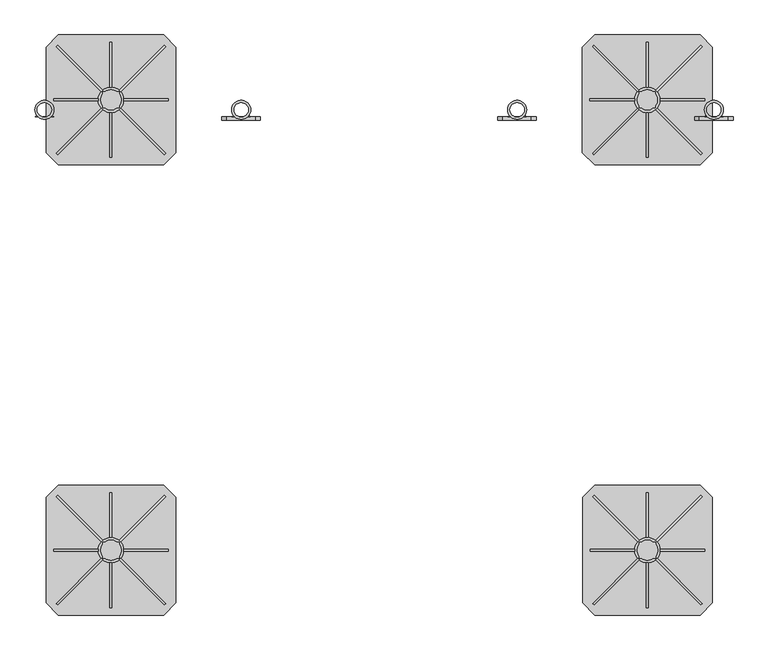
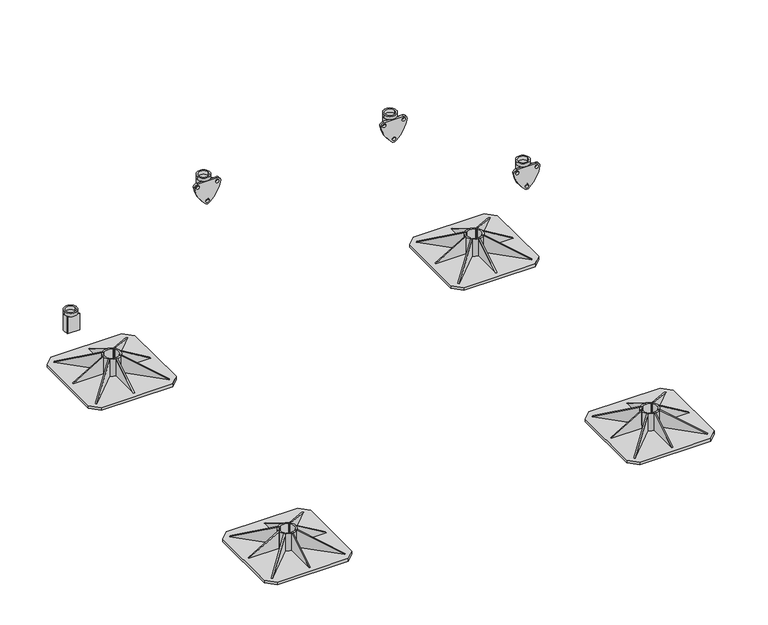
"""IFC4 building model written with IfcOpenShell, lengths in millimetres: beam geometry."""

from ifc_helpers import new_model, si_unit, point, frame, frame_2d, origin, origin_with_axes, place, context, project, spatial, polyline, circle_curve, trimmed, segment, composite_curve, outline, extrude, source, transform, mapped, element, save
from ifc_brep_helpers import plane_surface, cylinder_surface, revolved_surface, advanced_brep


def beam_a3dbc50e(model_context):
    return source(origin(), model_context, "Body", "SolidModel", [
        extrude(outline(polyline([(0.0, 0.0), (169.9235121, 0.0), (145.0593839, -60.0564328), (0.0, 0.0)])), frame((792.5218613, 419.9426048, 10.0), z_axis=(0.7071067811865491, 0.7071067811865459, 0.0), x_axis=(-0.653327860317026, 0.653327860317029, 0.3825250499864671)), (0.0, 0.0, 1.0), 5.0),
        extrude(outline(polyline([(0.0, 0.0), (-145.0593839, -60.0564328), (-169.9235121, 0.0), (0.0, 0.0)])), frame((529.4781387, 419.9426048, 10.0), z_axis=(-0.7071067811865449, 0.7071067811865502, 0.0), x_axis=(-0.65332786031703, -0.653327860317025, -0.38252504998646697)), (0.0, 0.0, 1.0), 5.0),
        extrude(outline(polyline([(0.0, 0.0), (169.9235121, 0.0), (145.0593839, -60.0564328), (0.0, 0.0)])), frame((796.0573952, 686.5218613, 10.0), z_axis=(-0.707106781186539, 0.7071067811865561, 0.0), x_axis=(-0.6533278603170355, -0.6533278603170196, 0.3825250499864671)), (0.0, 0.0, 1.0), 5.0),
        extrude(outline(polyline([(10.0, 519.5), (10.0, 629.5), (75.0, 629.5), (10.0, 519.5)])), frame((0.0, 552.5, 0.0), z_axis=(0.0, 1.0, 0.0), x_axis=(0.0, 0.0, 1.0)), (0.0, 0.0, 1.0), 5.0),
        extrude(outline(polyline([(696.5, 10.0), (586.5, 10.0), (586.5, 75.0), (696.5, 10.0)])), frame((658.5, 0.0, 0.0), z_axis=(1.0, 0.0, 0.0), x_axis=(0.0, 1.0, 0.0)), (0.0, 0.0, 1.0), 5.0),
        extrude(outline(polyline([(413.5, 10.0), (523.5, 75.0), (523.5, 10.0), (413.5, 10.0)])), frame((658.5, 0.0, 0.0), z_axis=(1.0, 0.0, 0.0), x_axis=(0.0, 1.0, 0.0)), (0.0, 0.0, 1.0), 5.0),
        extrude(outline(polyline([(0.0, 0.0), (-145.0593839, -60.0564328), (-169.9235121, 0.0), (0.0, 0.0)])), frame((525.9426048, 686.5218613, 10.0), z_axis=(0.7071067811865491, 0.707106781186546, 0.0), x_axis=(-0.6533278603170262, 0.653327860317029, -0.3825250499864671)), (0.0, 0.0, 1.0), 5.0),
        extrude(outline(polyline([(10.0, 802.5), (75.0, 692.5), (10.0, 692.5), (10.0, 802.5)])), frame((0.0, 552.5, 0.0), z_axis=(0.0, 1.0, 0.0), x_axis=(0.0, 0.0, 1.0)), (0.0, 0.0, 1.0), 5.0),
        extrude(outline(composite_curve([segment(trimmed(circle_curve(frame_2d((661.0, 555.0)), 31.5), [point((629.5, 555.0))], [point((692.5, 555.0))], False, "CARTESIAN"), True, "CONTINUOUS"), segment(trimmed(circle_curve(frame_2d((661.0, 555.0)), 31.5), [point((692.5, 555.0))], [point((629.5, 555.0))], False, "CARTESIAN"), True, "CONTINUOUS")], self_intersect=False), holes=[composite_curve([segment(polyline([(641.0, 540.0), (641.0, 535.0), (646.0, 535.0)]), True, "CONTINUOUS"), segment(trimmed(circle_curve(frame_2d((661.0, 555.0)), 25.0), [point((646.0, 535.0))], [point((676.0, 535.0))], True, "CARTESIAN"), True, "CONTINUOUS"), segment(polyline([(676.0, 535.0), (681.0, 535.0), (681.0, 540.0)]), True, "CONTINUOUS"), segment(trimmed(circle_curve(frame_2d((661.0, 555.0)), 25.0), [point((681.0, 540.0))], [point((681.0, 570.0))], True, "CARTESIAN"), True, "CONTINUOUS"), segment(polyline([(681.0, 570.0), (681.0, 575.0), (676.0, 575.0)]), True, "CONTINUOUS"), segment(trimmed(circle_curve(frame_2d((661.0, 555.0)), 25.0), [point((676.0, 575.0))], [point((646.0, 575.0))], True, "CARTESIAN"), True, "CONTINUOUS"), segment(polyline([(646.0, 575.0), (641.0, 575.0), (641.0, 570.0)]), True, "CONTINUOUS"), segment(trimmed(circle_curve(frame_2d((661.0, 555.0)), 25.0), [point((641.0, 570.0))], [point((641.0, 540.0))], True, "CARTESIAN"), True, "CONTINUOUS")], self_intersect=False)]), frame((0.0, 0.0, 10.0), z_axis=(0.0, 0.0, 1.0), x_axis=(1.0, 0.0, 0.0)), (0.0, 0.0, 1.0), 65.0),
        extrude(outline(polyline([(791.0, 715.0), (821.0, 685.0), (821.0, 425.0), (791.0, 395.0), (531.0, 395.0), (501.0, 425.0), (501.0, 685.0), (531.0, 715.0), (791.0, 715.0)])), origin_with_axes(), (0.0, 0.0, 1.0), 10.0),
        extrude(outline(polyline([(0.0, 0.0), (169.9235121, 0.0), (145.0593839, -60.0564328), (0.0, 0.0)])), frame((-529.4781387, 419.9426048, 10.0), z_axis=(0.7071067811865491, 0.7071067811865459, 0.0), x_axis=(-0.653327860317026, 0.653327860317029, 0.3825250499864671)), (0.0, 0.0, 1.0), 5.0),
        extrude(outline(polyline([(0.0, 0.0), (-145.0593839, -60.0564328), (-169.9235121, 0.0), (0.0, 0.0)])), frame((-792.5218613, 419.9426048, 10.0), z_axis=(-0.7071067811865449, 0.7071067811865502, 0.0), x_axis=(-0.65332786031703, -0.653327860317025, -0.38252504998646697)), (0.0, 0.0, 1.0), 5.0),
        extrude(outline(polyline([(0.0, 0.0), (169.9235121, 0.0), (145.0593839, -60.0564328), (0.0, 0.0)])), frame((-525.9426048, 686.5218613, 10.0), z_axis=(-0.707106781186539, 0.7071067811865561, 0.0), x_axis=(-0.6533278603170355, -0.6533278603170196, 0.3825250499864671)), (0.0, 0.0, 1.0), 5.0),
        extrude(outline(polyline([(10.0, -802.5), (10.0, -692.5), (75.0, -692.5), (10.0, -802.5)])), frame((0.0, 552.5, 0.0), z_axis=(0.0, 1.0, 0.0), x_axis=(0.0, 0.0, 1.0)), (0.0, 0.0, 1.0), 5.0),
        extrude(outline(polyline([(696.5, 10.0), (586.5, 10.0), (586.5, 75.0), (696.5, 10.0)])), frame((-663.5, 0.0, 0.0), z_axis=(1.0, 0.0, 0.0), x_axis=(0.0, 1.0, 0.0)), (0.0, 0.0, 1.0), 5.0),
        extrude(outline(polyline([(413.5, 10.0), (523.5, 75.0), (523.5, 10.0), (413.5, 10.0)])), frame((-663.5, 0.0, 0.0), z_axis=(1.0, 0.0, 0.0), x_axis=(0.0, 1.0, 0.0)), (0.0, 0.0, 1.0), 5.0),
        extrude(outline(polyline([(0.0, 0.0), (-145.0593839, -60.0564328), (-169.9235121, 0.0), (0.0, 0.0)])), frame((-796.0573952, 686.5218613, 10.0), z_axis=(0.7071067811865491, 0.707106781186546, 0.0), x_axis=(-0.6533278603170262, 0.653327860317029, -0.3825250499864671)), (0.0, 0.0, 1.0), 5.0),
        extrude(outline(polyline([(10.0, -519.5), (75.0, -629.5), (10.0, -629.5), (10.0, -519.5)])), frame((0.0, 552.5, 0.0), z_axis=(0.0, 1.0, 0.0), x_axis=(0.0, 0.0, 1.0)), (0.0, 0.0, 1.0), 5.0),
        extrude(outline(composite_curve([segment(trimmed(circle_curve(frame_2d((-661.0, 555.0)), 31.5), [point((-692.5, 555.0))], [point((-629.5, 555.0))], False, "CARTESIAN"), True, "CONTINUOUS"), segment(trimmed(circle_curve(frame_2d((-661.0, 555.0)), 31.5), [point((-629.5, 555.0))], [point((-692.5, 555.0))], False, "CARTESIAN"), True, "CONTINUOUS")], self_intersect=False), holes=[composite_curve([segment(polyline([(-681.0, 540.0), (-681.0, 535.0), (-676.0, 535.0)]), True, "CONTINUOUS"), segment(trimmed(circle_curve(frame_2d((-661.0, 555.0)), 25.0), [point((-676.0, 535.0))], [point((-646.0, 535.0))], True, "CARTESIAN"), True, "CONTINUOUS"), segment(polyline([(-646.0, 535.0), (-641.0, 535.0), (-641.0, 540.0)]), True, "CONTINUOUS"), segment(trimmed(circle_curve(frame_2d((-661.0, 555.0)), 25.0), [point((-641.0, 540.0))], [point((-641.0, 570.0))], True, "CARTESIAN"), True, "CONTINUOUS"), segment(polyline([(-641.0, 570.0), (-641.0, 575.0), (-646.0, 575.0)]), True, "CONTINUOUS"), segment(trimmed(circle_curve(frame_2d((-661.0, 555.0)), 25.0), [point((-646.0, 575.0))], [point((-676.0, 575.0))], True, "CARTESIAN"), True, "CONTINUOUS"), segment(polyline([(-676.0, 575.0), (-681.0, 575.0), (-681.0, 570.0)]), True, "CONTINUOUS"), segment(trimmed(circle_curve(frame_2d((-661.0, 555.0)), 25.0), [point((-681.0, 570.0))], [point((-681.0, 540.0))], True, "CARTESIAN"), True, "CONTINUOUS")], self_intersect=False)]), frame((0.0, 0.0, 10.0), z_axis=(0.0, 0.0, 1.0), x_axis=(1.0, 0.0, 0.0)), (0.0, 0.0, 1.0), 65.0),
        extrude(outline(polyline([(-531.0, 715.0), (-501.0, 685.0), (-501.0, 425.0), (-531.0, 395.0), (-791.0, 395.0), (-821.0, 425.0), (-821.0, 685.0), (-791.0, 715.0), (-531.0, 715.0)])), origin_with_axes(), (0.0, 0.0, 1.0), 10.0),
        extrude(outline(polyline([(0.0, 0.0), (169.9235121, 0.0), (145.0593839, -60.0564328), (0.0, 0.0)])), frame((792.8159116, -690.0573952, 10.0), z_axis=(0.7071067811865491, 0.7071067811865459, 0.0), x_axis=(-0.653327860317026, 0.653327860317029, 0.3825250499864671)), (0.0, 0.0, 1.0), 5.0),
        extrude(outline(polyline([(0.0, 0.0), (-145.059384, -60.0564328), (-169.9235122, 0.0), (0.0, 0.0)])), frame((529.772189, -690.0573952, 10.0), z_axis=(-0.7071067811865449, 0.7071067811865502, 0.0), x_axis=(-0.65332786031703, -0.653327860317025, -0.38252504998646697)), (0.0, 0.0, 1.0), 5.0),
        extrude(outline(polyline([(0.0, 0.0), (169.9235121, 0.0), (145.0593839, -60.0564328), (0.0, 0.0)])), frame((796.3514455, -423.4781387, 10.0), z_axis=(-0.707106781186539, 0.7071067811865561, 0.0), x_axis=(-0.6533278603170355, -0.6533278603170196, 0.3825250499864671)), (0.0, 0.0, 1.0), 5.0),
        extrude(outline(polyline([(10.0, 519.7940503), (10.0, 629.7940503), (75.0, 629.7940503), (10.0, 519.7940503)])), frame((0.0, -557.5, 0.0), z_axis=(0.0, 1.0, 0.0), x_axis=(0.0, 0.0, 1.0)), (0.0, 0.0, 1.0), 5.0),
        extrude(outline(polyline([(-413.5, 10.0), (-523.5, 10.0), (-523.5, 75.0), (-413.5, 10.0)])), frame((658.7940503, 0.0, 0.0), z_axis=(1.0, 0.0, 0.0), x_axis=(0.0, 1.0, 0.0)), (0.0, 0.0, 1.0), 5.0),
        extrude(outline(polyline([(-696.5, 10.0), (-586.5, 75.0), (-586.5, 10.0), (-696.5, 10.0)])), frame((658.7940503, 0.0, 0.0), z_axis=(1.0, 0.0, 0.0), x_axis=(0.0, 1.0, 0.0)), (0.0, 0.0, 1.0), 5.0),
        extrude(outline(polyline([(0.0, 0.0), (-145.059384, -60.0564328), (-169.9235122, 0.0), (0.0, 0.0)])), frame((526.2366551, -423.4781387, 10.0), z_axis=(0.7071067811865491, 0.707106781186546, 0.0), x_axis=(-0.6533278603170262, 0.653327860317029, -0.3825250499864671)), (0.0, 0.0, 1.0), 5.0),
        extrude(outline(polyline([(10.0, 802.7940503), (75.0, 692.7940503), (10.0, 692.7940503), (10.0, 802.7940503)])), frame((0.0, -557.5, 0.0), z_axis=(0.0, 1.0, 0.0), x_axis=(0.0, 0.0, 1.0)), (0.0, 0.0, 1.0), 5.0),
        extrude(outline(composite_curve([segment(trimmed(circle_curve(frame_2d((661.2940503, -555.0)), 31.5), [point((629.7940503, -555.0))], [point((692.7940503, -555.0))], False, "CARTESIAN"), True, "CONTINUOUS"), segment(trimmed(circle_curve(frame_2d((661.2940503, -555.0)), 31.5), [point((692.7940503, -555.0))], [point((629.7940503, -555.0))], False, "CARTESIAN"), True, "CONTINUOUS")], self_intersect=False), holes=[composite_curve([segment(polyline([(641.2940503, -570.0), (641.2940503, -575.0), (646.2940503, -575.0)]), True, "CONTINUOUS"), segment(trimmed(circle_curve(frame_2d((661.2940503, -555.0)), 25.0), [point((646.2940503, -575.0))], [point((676.2940503, -575.0))], True, "CARTESIAN"), True, "CONTINUOUS"), segment(polyline([(676.2940503, -575.0), (681.2940503, -575.0), (681.2940503, -570.0)]), True, "CONTINUOUS"), segment(trimmed(circle_curve(frame_2d((661.2940503, -555.0)), 25.0), [point((681.2940503, -570.0))], [point((681.2940503, -540.0))], True, "CARTESIAN"), True, "CONTINUOUS"), segment(polyline([(681.2940503, -540.0), (681.2940503, -535.0), (676.2940503, -535.0)]), True, "CONTINUOUS"), segment(trimmed(circle_curve(frame_2d((661.2940503, -555.0)), 25.0), [point((676.2940503, -535.0))], [point((646.2940503, -535.0))], True, "CARTESIAN"), True, "CONTINUOUS"), segment(polyline([(646.2940503, -535.0), (641.2940503, -535.0), (641.2940503, -540.0)]), True, "CONTINUOUS"), segment(trimmed(circle_curve(frame_2d((661.2940503, -555.0)), 25.0), [point((641.2940503, -540.0))], [point((641.2940503, -570.0))], True, "CARTESIAN"), True, "CONTINUOUS")], self_intersect=False)]), frame((0.0, 0.0, 10.0), z_axis=(0.0, 0.0, 1.0), x_axis=(1.0, 0.0, 0.0)), (0.0, 0.0, 1.0), 65.0),
        extrude(outline(polyline([(791.2940503, -395.0), (821.2940503, -425.0), (821.2940503, -685.0), (791.2940503, -715.0), (531.2940503, -715.0), (501.2940503, -685.0), (501.2940503, -425.0), (531.2940503, -395.0), (791.2940503, -395.0)])), origin_with_axes(), (0.0, 0.0, 1.0), 10.0),
        extrude(outline(polyline([(0.0, 0.0), (169.9235121, 0.0), (145.0593839, -60.0564328), (0.0, 0.0)])), frame((-529.4781387, -690.0573952, 10.0), z_axis=(0.7071067811865491, 0.7071067811865459, 0.0), x_axis=(-0.653327860317026, 0.653327860317029, 0.3825250499864671)), (0.0, 0.0, 1.0), 5.0),
        extrude(outline(polyline([(0.0, 0.0), (-145.0593839, -60.0564328), (-169.9235121, 0.0), (0.0, 0.0)])), frame((-792.5218613, -690.0573952, 10.0), z_axis=(-0.7071067811865449, 0.7071067811865502, 0.0), x_axis=(-0.65332786031703, -0.653327860317025, -0.38252504998646697)), (0.0, 0.0, 1.0), 5.0),
        extrude(outline(polyline([(0.0, 0.0), (169.9235121, 0.0), (145.0593839, -60.0564328), (0.0, 0.0)])), frame((-525.9426048, -423.4781387, 10.0), z_axis=(-0.707106781186539, 0.7071067811865561, 0.0), x_axis=(-0.6533278603170355, -0.6533278603170196, 0.3825250499864671)), (0.0, 0.0, 1.0), 5.0),
        extrude(outline(polyline([(10.0, -802.5), (10.0, -692.5), (75.0, -692.5), (10.0, -802.5)])), frame((0.0, -557.5, 0.0), z_axis=(0.0, 1.0, 0.0), x_axis=(0.0, 0.0, 1.0)), (0.0, 0.0, 1.0), 5.0),
        extrude(outline(polyline([(-413.5, 10.0), (-523.5, 10.0), (-523.5, 75.0), (-413.5, 10.0)])), frame((-663.5, 0.0, 0.0), z_axis=(1.0, 0.0, 0.0), x_axis=(0.0, 1.0, 0.0)), (0.0, 0.0, 1.0), 5.0),
        extrude(outline(polyline([(-696.5, 10.0), (-586.5, 75.0), (-586.5, 10.0), (-696.5, 10.0)])), frame((-663.5, 0.0, 0.0), z_axis=(1.0, 0.0, 0.0), x_axis=(0.0, 1.0, 0.0)), (0.0, 0.0, 1.0), 5.0),
        extrude(outline(polyline([(0.0, 0.0), (-145.0593839, -60.0564328), (-169.9235121, 0.0), (0.0, 0.0)])), frame((-796.0573952, -423.4781387, 10.0), z_axis=(0.7071067811865491, 0.707106781186546, 0.0), x_axis=(-0.6533278603170262, 0.653327860317029, -0.3825250499864671)), (0.0, 0.0, 1.0), 5.0),
        extrude(outline(polyline([(10.0, -519.5), (75.0, -629.5), (10.0, -629.5), (10.0, -519.5)])), frame((0.0, -557.5, 0.0), z_axis=(0.0, 1.0, 0.0), x_axis=(0.0, 0.0, 1.0)), (0.0, 0.0, 1.0), 5.0),
        extrude(outline(composite_curve([segment(trimmed(circle_curve(frame_2d((-661.0, -555.0)), 31.5), [point((-692.5, -555.0))], [point((-629.5, -555.0))], False, "CARTESIAN"), True, "CONTINUOUS"), segment(trimmed(circle_curve(frame_2d((-661.0, -555.0)), 31.5), [point((-629.5, -555.0))], [point((-692.5, -555.0))], False, "CARTESIAN"), True, "CONTINUOUS")], self_intersect=False), holes=[composite_curve([segment(polyline([(-681.0, -570.0), (-681.0, -575.0), (-676.0, -575.0)]), True, "CONTINUOUS"), segment(trimmed(circle_curve(frame_2d((-661.0, -555.0)), 25.0), [point((-676.0, -575.0))], [point((-646.0, -575.0))], True, "CARTESIAN"), True, "CONTINUOUS"), segment(polyline([(-646.0, -575.0), (-641.0, -575.0), (-641.0, -570.0)]), True, "CONTINUOUS"), segment(trimmed(circle_curve(frame_2d((-661.0, -555.0)), 25.0), [point((-641.0, -570.0))], [point((-641.0, -540.0))], True, "CARTESIAN"), True, "CONTINUOUS"), segment(polyline([(-641.0, -540.0), (-641.0, -535.0), (-646.0, -535.0)]), True, "CONTINUOUS"), segment(trimmed(circle_curve(frame_2d((-661.0, -555.0)), 25.0), [point((-646.0, -535.0))], [point((-676.0, -535.0))], True, "CARTESIAN"), True, "CONTINUOUS"), segment(polyline([(-676.0, -535.0), (-681.0, -535.0), (-681.0, -540.0)]), True, "CONTINUOUS"), segment(trimmed(circle_curve(frame_2d((-661.0, -555.0)), 25.0), [point((-681.0, -540.0))], [point((-681.0, -570.0))], True, "CARTESIAN"), True, "CONTINUOUS")], self_intersect=False)]), frame((0.0, 0.0, 10.0), z_axis=(0.0, 0.0, 1.0), x_axis=(1.0, 0.0, 0.0)), (0.0, 0.0, 1.0), 65.0),
        extrude(outline(polyline([(-531.0, -395.0), (-501.0, -425.0), (-501.0, -685.0), (-531.0, -715.0), (-791.0, -715.0), (-821.0, -685.0), (-821.0, -425.0), (-791.0, -395.0), (-531.0, -395.0)])), origin_with_axes(), (0.0, 0.0, 1.0), 10.0),
        advanced_brep(
        [(801.5, 530.5, 318.5021879), (848.5, 530.5, 318.5021879), (807.5, 530.5, 318.5021879), (842.5, 530.5, 318.5021879), (809.3156129, 513.0, 306.5021879), (825.0, 513.0, 306.5021879), (840.6843871, 513.0, 306.5021879), (842.5, 530.5, 306.5021879), (829.2742096, 513.5299932, 306.5021879), (825.0, 513.0, 306.5021879), (820.7257904, 513.5299932, 306.5021879), (807.5, 530.5, 306.5021879), (848.5, 530.5, 306.5021879), (801.5, 530.5, 306.5021879), (805.0724935, 518.0442991, 306.5021879), (844.9275065, 518.0442991, 306.5021879), (847.839834, 513.0, 306.5021879), (802.160166, 513.0, 306.5021879), (844.9275065, 518.0442991, 242.5021879), (847.839834, 513.0, 242.5021879), (802.160166, 513.0, 242.5021879), (805.0724935, 518.0442991, 242.5021879), (829.2742096, 513.5299932, 242.5021879), (820.7257904, 513.5299932, 242.5021879)],
        [
            (0, 1, circle_curve(frame((825.0, 530.5, 318.5021879), z_axis=(0.0, 0.0, 1.0), x_axis=(1.0, 0.0, 0.0)), 23.5)),
            (1, 0, circle_curve(frame((825.0, 530.5, 318.5021879), z_axis=(0.0, 0.0, 1.0), x_axis=(1.0, 0.0, 0.0)), 23.5)),
            (2, 3, circle_curve(frame((825.0, 530.5, 318.5021879), z_axis=(0.0, 0.0, -1.0), x_axis=(1.0, 0.0, 0.0)), 17.5)),
            (3, 2, circle_curve(frame((825.0, 530.5, 318.5021879), z_axis=(0.0, 0.0, -1.0), x_axis=(1.0, 0.0, 0.0)), 17.5)),
            (4, 5),
            (5, 6),
            (6, 4, circle_curve(frame((825.0, 530.5, 306.5021879), z_axis=(0.0, 0.0, -1.0), x_axis=(1.0, 0.0, 0.0)), 23.5)),
            (3, 7),
            (7, 8, circle_curve(frame((825.0, 530.5, 306.5021879), z_axis=(0.0, 0.0, -1.0), x_axis=(1.0, 0.0, 0.0)), 17.5)),
            (8, 9, circle_curve(frame((825.0, 530.5, 306.5021879), z_axis=(0.0, 0.0, -1.0), x_axis=(1.0, 0.0, 0.0)), 17.5)),
            (9, 10, circle_curve(frame((825.0, 530.5, 306.5021879), z_axis=(0.0, 0.0, -1.0), x_axis=(1.0, 0.0, 0.0)), 17.5)),
            (10, 11, circle_curve(frame((825.0, 530.5, 306.5021879), z_axis=(0.0, 0.0, -1.0), x_axis=(1.0, 0.0, 0.0)), 17.5)),
            (11, 2),
            (11, 7, circle_curve(frame((825.0, 530.5, 306.5021879), z_axis=(0.0, 0.0, -1.0), x_axis=(1.0, 0.0, 0.0)), 17.5)),
            (1, 12),
            (12, 13, circle_curve(frame((825.0, 530.5, 306.5021879), z_axis=(0.0, 0.0, 1.0), x_axis=(1.0, 0.0, 0.0)), 23.5)),
            (13, 0),
            (13, 14, circle_curve(frame((825.0, 530.5, 306.5021879), z_axis=(0.0, 0.0, 1.0), x_axis=(1.0, 0.0, 0.0)), 23.5)),
            (14, 4, circle_curve(frame((825.0, 530.5, 306.5021879), z_axis=(0.0, 0.0, 1.0), x_axis=(1.0, 0.0, 0.0)), 23.5)),
            (6, 15, circle_curve(frame((825.0, 530.5, 306.5021879), z_axis=(0.0, 0.0, 1.0), x_axis=(1.0, 0.0, 0.0)), 23.5)),
            (15, 12, circle_curve(frame((825.0, 530.5, 306.5021879), z_axis=(0.0, 0.0, 1.0), x_axis=(1.0, 0.0, 0.0)), 23.5)),
            (8, 10),
            (6, 16),
            (16, 15, circle_curve(frame((847.8288747, 516.3565387, 306.5021879), z_axis=(0.0, 0.0, -1.0), x_axis=(-1.0, 0.0, 0.0)), 3.3565566)),
            (17, 4),
            (14, 17, circle_curve(frame((802.1711253, 516.3565387, 306.5021879), z_axis=(0.0, 0.0, -1.0), x_axis=(1.0, 0.0, 0.0)), 3.3565566)),
            (18, 19, circle_curve(frame((847.8288747, 516.3565387, 242.5021879), z_axis=(0.0, 0.0, 1.0), x_axis=(-1.0, 0.0, 0.0)), 3.3565566)),
            (19, 20),
            (20, 21, circle_curve(frame((802.1711253, 516.3565387, 242.5021879), z_axis=(0.0, 0.0, 1.0), x_axis=(1.0, 0.0, 0.0)), 3.3565566)),
            (21, 18, circle_curve(frame((825.0, 530.5, 242.5021879), z_axis=(0.0, 0.0, -1.0), x_axis=(1.0, 0.0, 0.0)), 23.5)),
            (22, 23, circle_curve(frame((825.0, 530.5, 242.5021879), z_axis=(0.0, 0.0, 1.0), x_axis=(1.0, 0.0, 0.0)), 17.5)),
            (23, 22),
            (22, 8),
            (10, 23),
            (16, 19),
            (18, 15),
            (17, 20),
            (14, 21),
        ],
        [
            plane_surface(frame((842.5, 530.5, 318.5021879), z_axis=(0.0, 0.0, 1.0), x_axis=(0.0, 1.0, 0.0))),
            plane_surface(frame((842.5, 530.5, 306.5021879), z_axis=(0.0, 0.0, -1.0), x_axis=(0.0, -1.0, 0.0))),
            revolved_surface(polyline([(842.5, 530.5, 306.5021879), (842.5, 530.5, 318.5021879)]), (825.0, 530.5, 306.5021879), (0.0, 0.0, -1.0)),
            cylinder_surface(frame((825.0, 530.5, 306.5021879), z_axis=(0.0, 0.0, 1.0), x_axis=(1.0, 0.0, 0.0)), 23.5),
            plane_surface(frame((842.5, 530.5, 306.5021879), z_axis=(0.0, 0.0, 1.0), x_axis=(0.0, 1.0, 0.0))),
            plane_surface(frame((842.5, 530.5, 242.5021879), z_axis=(0.0, 0.0, -1.0), x_axis=(0.0, -1.0, 0.0))),
            revolved_surface(polyline([(842.5, 530.5, 242.5021879), (842.5, 530.5, 306.5021879)]), (825.0, 530.5, 242.5021879), (0.0, 0.0, -1.0)),
            plane_surface(frame((820.7257904, 513.5299932, 306.5021879), z_axis=(0.0, 1.0, 0.0), x_axis=(0.0, 0.0, -1.0))),
            revolved_surface(polyline([(844.4723181, 516.3565387, 242.5021879), (844.4723181, 516.3565387, 306.5021879)]), (847.8288747, 516.3565387, 242.5021879), (0.0, 0.0, -1.0)),
            plane_surface(frame((847.839834, 513.0, 306.5021879), z_axis=(0.0, -1.0, 0.0), x_axis=(0.0, 0.0, -1.0))),
            revolved_surface(polyline([(805.5276819, 516.3565387, 242.5021879), (805.5276819, 516.3565387, 306.5021879)]), (802.1711253, 516.3565387, 242.5021879), (0.0, 0.0, -1.0)),
            cylinder_surface(frame((825.0, 530.5, 242.5021879), z_axis=(0.0, 0.0, 1.0), x_axis=(1.0, 0.0, 0.0)), 23.5),
        ],
        [
            (0, [[1, 2], [3, 4]]),
            (1, [[5, 6, 7]]),
            (2, [[8, 9, 10, 11, 12, 13, -4]]),
            (2, [[-13, 14, -8, -3]]),
            (3, [[15, 16, 17, -2]]),
            (3, [[-17, 18, 19, -7, 20, 21, -15, -1]]),
            (4, [[-11, -10, 22]]),
            (4, [[-20, 23, 24]]),
            (4, [[25, -19, 26]]),
            (5, [[27, 28, 29, 30], [31, 32]]),
            (6, [[33, -9, -14, -12, 34, -31]]),
            (7, [[-33, -32, -34, -22]]),
            (8, [[35, -27, 36, -24]]),
            (9, [[-35, -23, -6, -5, -25, 37, -28]]),
            (10, [[38, -29, -37, -26]]),
            (11, [[-38, -18, -16, -21, -36, -30]]),
        ],
    ),
        extrude(outline(composite_curve([segment(trimmed(circle_curve(frame_2d((312.1021879, 894.4)), 118.3), [point((293.8380046, 777.5183949))], [point((221.6269174, 818.1824467))], False, "CARTESIAN"), True, "CONTINUOUS"), segment(trimmed(circle_curve(frame_2d((231.5021879, 825.0)), 12.0), [point((221.6269174, 818.1824467))], [point((223.2936993, 833.753326))], False, "CARTESIAN"), True, "CONTINUOUS"), segment(trimmed(circle_curve(frame_2d((312.1021879, 755.6)), 118.3), [point((223.2936993, 833.753326))], [point((293.8380046, 872.4816051))], False, "CARTESIAN"), True, "CONTINUOUS"), segment(trimmed(circle_curve(frame_2d((294.5021879, 860.5)), 12.0), [point((293.8380046, 872.4816051))], [point((306.5021879, 860.5))], False, "CARTESIAN"), True, "CONTINUOUS"), segment(polyline([(306.5021879, 860.5), (306.5021879, 789.5)]), True, "CONTINUOUS"), segment(trimmed(circle_curve(frame_2d((294.5021879, 789.5)), 12.0), [point((306.5021879, 789.5))], [point((293.8380046, 777.5183949))], False, "CARTESIAN"), True, "CONTINUOUS")], self_intersect=False), holes=[composite_curve([segment(trimmed(circle_curve(frame_2d((231.5021879, 825.0)), 6.0), [point((231.5021879, 819.0))], [point((231.5021879, 831.0))], True, "CARTESIAN"), True, "CONTINUOUS"), segment(trimmed(circle_curve(frame_2d((231.5021879, 825.0)), 6.0), [point((231.5021879, 831.0))], [point((231.5021879, 819.0))], True, "CARTESIAN"), True, "CONTINUOUS")], self_intersect=False), composite_curve([segment(trimmed(circle_curve(frame_2d((294.5021879, 789.5)), 6.0), [point((294.5021879, 783.5))], [point((294.5021879, 795.5))], True, "CARTESIAN"), True, "CONTINUOUS"), segment(trimmed(circle_curve(frame_2d((294.5021879, 789.5)), 6.0), [point((294.5021879, 795.5))], [point((294.5021879, 783.5))], True, "CARTESIAN"), True, "CONTINUOUS")], self_intersect=False), composite_curve([segment(trimmed(circle_curve(frame_2d((294.5021879, 860.5)), 6.0), [point((294.5021879, 866.5))], [point((294.5021879, 854.5))], True, "CARTESIAN"), True, "CONTINUOUS"), segment(trimmed(circle_curve(frame_2d((294.5021879, 860.5)), 6.0), [point((294.5021879, 854.5))], [point((294.5021879, 866.5))], True, "CARTESIAN"), True, "CONTINUOUS")], self_intersect=False)]), frame((0.0, 505.0, 0.0), z_axis=(0.0, 1.0, 0.0), x_axis=(0.0, 0.0, 1.0)), (0.0, 0.0, 1.0), 8.0),
        advanced_brep(
        [(316.5, 530.5, 670.5021879), (363.5, 530.5, 670.5021879), (322.5, 530.5, 670.5021879), (357.5, 530.5, 670.5021879), (324.3156129, 513.0, 658.5021879), (340.0, 513.0, 658.5021879), (355.6843871, 513.0, 658.5021879), (357.5, 530.5, 658.5021879), (344.2742096, 513.5299932, 658.5021879), (340.0, 513.0, 658.5021879), (335.7257904, 513.5299932, 658.5021879), (322.5, 530.5, 658.5021879), (363.5, 530.5, 658.5021879), (316.5, 530.5, 658.5021879), (320.0724935, 518.0442991, 658.5021879), (359.9275065, 518.0442991, 658.5021879), (362.839834, 513.0, 658.5021879), (317.160166, 513.0, 658.5021879), (359.9275065, 518.0442991, 594.5021879), (362.839834, 513.0, 594.5021879), (317.160166, 513.0, 594.5021879), (320.0724935, 518.0442991, 594.5021879), (344.2742096, 513.5299932, 594.5021879), (335.7257904, 513.5299932, 594.5021879)],
        [
            (0, 1, circle_curve(frame((340.0, 530.5, 670.5021879), z_axis=(0.0, 0.0, 1.0), x_axis=(1.0, 0.0, 0.0)), 23.5)),
            (1, 0, circle_curve(frame((340.0, 530.5, 670.5021879), z_axis=(0.0, 0.0, 1.0), x_axis=(1.0, 0.0, 0.0)), 23.5)),
            (2, 3, circle_curve(frame((340.0, 530.5, 670.5021879), z_axis=(0.0, 0.0, -1.0), x_axis=(1.0, 0.0, 0.0)), 17.5)),
            (3, 2, circle_curve(frame((340.0, 530.5, 670.5021879), z_axis=(0.0, 0.0, -1.0), x_axis=(1.0, 0.0, 0.0)), 17.5)),
            (4, 5),
            (5, 6),
            (6, 4, circle_curve(frame((340.0, 530.5, 658.5021879), z_axis=(0.0, 0.0, -1.0), x_axis=(1.0, 0.0, 0.0)), 23.5)),
            (3, 7),
            (7, 8, circle_curve(frame((340.0, 530.5, 658.5021879), z_axis=(0.0, 0.0, -1.0), x_axis=(1.0, 0.0, 0.0)), 17.5)),
            (8, 9, circle_curve(frame((340.0, 530.5, 658.5021879), z_axis=(0.0, 0.0, -1.0), x_axis=(1.0, 0.0, 0.0)), 17.5)),
            (9, 10, circle_curve(frame((340.0, 530.5, 658.5021879), z_axis=(0.0, 0.0, -1.0), x_axis=(1.0, 0.0, 0.0)), 17.5)),
            (10, 11, circle_curve(frame((340.0, 530.5, 658.5021879), z_axis=(0.0, 0.0, -1.0), x_axis=(1.0, 0.0, 0.0)), 17.5)),
            (11, 2),
            (11, 7, circle_curve(frame((340.0, 530.5, 658.5021879), z_axis=(0.0, 0.0, -1.0), x_axis=(1.0, 0.0, 0.0)), 17.5)),
            (1, 12),
            (12, 13, circle_curve(frame((340.0, 530.5, 658.5021879), z_axis=(0.0, 0.0, 1.0), x_axis=(1.0, 0.0, 0.0)), 23.5)),
            (13, 0),
            (13, 14, circle_curve(frame((340.0, 530.5, 658.5021879), z_axis=(0.0, 0.0, 1.0), x_axis=(1.0, 0.0, 0.0)), 23.5)),
            (14, 4, circle_curve(frame((340.0, 530.5, 658.5021879), z_axis=(0.0, 0.0, 1.0), x_axis=(1.0, 0.0, 0.0)), 23.5)),
            (6, 15, circle_curve(frame((340.0, 530.5, 658.5021879), z_axis=(0.0, 0.0, 1.0), x_axis=(1.0, 0.0, 0.0)), 23.5)),
            (15, 12, circle_curve(frame((340.0, 530.5, 658.5021879), z_axis=(0.0, 0.0, 1.0), x_axis=(1.0, 0.0, 0.0)), 23.5)),
            (8, 10),
            (6, 16),
            (16, 15, circle_curve(frame((362.8288747, 516.3565387, 658.5021879), z_axis=(0.0, 0.0, -1.0), x_axis=(-1.0, 0.0, 0.0)), 3.3565566)),
            (17, 4),
            (14, 17, circle_curve(frame((317.1711253, 516.3565387, 658.5021879), z_axis=(0.0, 0.0, -1.0), x_axis=(1.0, 0.0, 0.0)), 3.3565566)),
            (18, 19, circle_curve(frame((362.8288747, 516.3565387, 594.5021879), z_axis=(0.0, 0.0, 1.0), x_axis=(-1.0, 0.0, 0.0)), 3.3565566)),
            (19, 20),
            (20, 21, circle_curve(frame((317.1711253, 516.3565387, 594.5021879), z_axis=(0.0, 0.0, 1.0), x_axis=(1.0, 0.0, 0.0)), 3.3565566)),
            (21, 18, circle_curve(frame((340.0, 530.5, 594.5021879), z_axis=(0.0, 0.0, -1.0), x_axis=(1.0, 0.0, 0.0)), 23.5)),
            (22, 23, circle_curve(frame((340.0, 530.5, 594.5021879), z_axis=(0.0, 0.0, 1.0), x_axis=(1.0, 0.0, 0.0)), 17.5)),
            (23, 22),
            (22, 8),
            (10, 23),
            (16, 19),
            (18, 15),
            (17, 20),
            (14, 21),
        ],
        [
            plane_surface(frame((357.5, 530.5, 670.5021879), z_axis=(0.0, 0.0, 1.0), x_axis=(0.0, 1.0, 0.0))),
            plane_surface(frame((357.5, 530.5, 658.5021879), z_axis=(0.0, 0.0, -1.0), x_axis=(0.0, -1.0, 0.0))),
            revolved_surface(polyline([(357.5, 530.5, 658.5021879), (357.5, 530.5, 670.5021879)]), (340.0, 530.5, 658.5021879), (0.0, 0.0, -1.0)),
            cylinder_surface(frame((340.0, 530.5, 658.5021879), z_axis=(0.0, 0.0, 1.0), x_axis=(1.0, 0.0, 0.0)), 23.5),
            plane_surface(frame((357.5, 530.5, 658.5021879), z_axis=(0.0, 0.0, 1.0), x_axis=(0.0, 1.0, 0.0))),
            plane_surface(frame((357.5, 530.5, 594.5021879), z_axis=(0.0, 0.0, -1.0), x_axis=(0.0, -1.0, 0.0))),
            revolved_surface(polyline([(357.5, 530.5, 594.5021879), (357.5, 530.5, 658.5021879)]), (340.0, 530.5, 594.5021879), (0.0, 0.0, -1.0)),
            plane_surface(frame((335.7257904, 513.5299932, 658.5021879), z_axis=(0.0, 1.0, 0.0), x_axis=(0.0, 0.0, -1.0))),
            revolved_surface(polyline([(359.4723181, 516.3565387, 594.5021879), (359.4723181, 516.3565387, 658.5021879)]), (362.8288747, 516.3565387, 594.5021879), (0.0, 0.0, -1.0)),
            plane_surface(frame((362.839834, 513.0, 658.5021879), z_axis=(0.0, -1.0, 0.0), x_axis=(0.0, 0.0, -1.0))),
            revolved_surface(polyline([(320.5276819, 516.3565387, 594.5021879), (320.5276819, 516.3565387, 658.5021879)]), (317.1711253, 516.3565387, 594.5021879), (0.0, 0.0, -1.0)),
            cylinder_surface(frame((340.0, 530.5, 594.5021879), z_axis=(0.0, 0.0, 1.0), x_axis=(1.0, 0.0, 0.0)), 23.5),
        ],
        [
            (0, [[1, 2], [3, 4]]),
            (1, [[5, 6, 7]]),
            (2, [[8, 9, 10, 11, 12, 13, -4]]),
            (2, [[-13, 14, -8, -3]]),
            (3, [[15, 16, 17, -2]]),
            (3, [[-17, 18, 19, -7, 20, 21, -15, -1]]),
            (4, [[-11, -10, 22]]),
            (4, [[-20, 23, 24]]),
            (4, [[25, -19, 26]]),
            (5, [[27, 28, 29, 30], [31, 32]]),
            (6, [[33, -9, -14, -12, 34, -31]]),
            (7, [[-33, -32, -34, -22]]),
            (8, [[35, -27, 36, -24]]),
            (9, [[-35, -23, -6, -5, -25, 37, -28]]),
            (10, [[38, -29, -37, -26]]),
            (11, [[-38, -18, -16, -21, -36, -30]]),
        ],
    ),
        extrude(outline(composite_curve([segment(trimmed(circle_curve(frame_2d((664.1021879, 409.4)), 118.3), [point((645.8380046, 292.5183949))], [point((573.6269174, 333.1824467))], False, "CARTESIAN"), True, "CONTINUOUS"), segment(trimmed(circle_curve(frame_2d((583.5021879, 340.0)), 12.0), [point((573.6269174, 333.1824467))], [point((575.2936993, 348.753326))], False, "CARTESIAN"), True, "CONTINUOUS"), segment(trimmed(circle_curve(frame_2d((664.1021879, 270.6)), 118.3), [point((575.2936993, 348.753326))], [point((645.8380046, 387.4816051))], False, "CARTESIAN"), True, "CONTINUOUS"), segment(trimmed(circle_curve(frame_2d((646.5021879, 375.5)), 12.0), [point((645.8380046, 387.4816051))], [point((658.5021879, 375.5))], False, "CARTESIAN"), True, "CONTINUOUS"), segment(polyline([(658.5021879, 375.5), (658.5021879, 304.5)]), True, "CONTINUOUS"), segment(trimmed(circle_curve(frame_2d((646.5021879, 304.5)), 12.0), [point((658.5021879, 304.5))], [point((645.8380046, 292.5183949))], False, "CARTESIAN"), True, "CONTINUOUS")], self_intersect=False), holes=[composite_curve([segment(trimmed(circle_curve(frame_2d((583.5021879, 340.0)), 6.0), [point((583.5021879, 334.0))], [point((583.5021879, 346.0))], True, "CARTESIAN"), True, "CONTINUOUS"), segment(trimmed(circle_curve(frame_2d((583.5021879, 340.0)), 6.0), [point((583.5021879, 346.0))], [point((583.5021879, 334.0))], True, "CARTESIAN"), True, "CONTINUOUS")], self_intersect=False), composite_curve([segment(trimmed(circle_curve(frame_2d((646.5021879, 304.5)), 6.0), [point((646.5021879, 298.5))], [point((646.5021879, 310.5))], True, "CARTESIAN"), True, "CONTINUOUS"), segment(trimmed(circle_curve(frame_2d((646.5021879, 304.5)), 6.0), [point((646.5021879, 310.5))], [point((646.5021879, 298.5))], True, "CARTESIAN"), True, "CONTINUOUS")], self_intersect=False), composite_curve([segment(trimmed(circle_curve(frame_2d((646.5021879, 375.5)), 6.0), [point((646.5021879, 381.5))], [point((646.5021879, 369.5))], True, "CARTESIAN"), True, "CONTINUOUS"), segment(trimmed(circle_curve(frame_2d((646.5021879, 375.5)), 6.0), [point((646.5021879, 369.5))], [point((646.5021879, 381.5))], True, "CARTESIAN"), True, "CONTINUOUS")], self_intersect=False)]), frame((0.0, 505.0, 0.0), z_axis=(0.0, 1.0, 0.0), x_axis=(0.0, 0.0, 1.0)), (0.0, 0.0, 1.0), 8.0),
        advanced_brep(
        [(-363.5, 530.5, 670.5021879), (-316.5, 530.5, 670.5021879), (-357.5, 530.5, 670.5021879), (-322.5, 530.5, 670.5021879), (-355.6843871, 513.0, 658.5021879), (-340.0, 513.0, 658.5021879), (-324.3156129, 513.0, 658.5021879), (-322.5, 530.5, 658.5021879), (-335.7257904, 513.5299932, 658.5021879), (-340.0, 513.0, 658.5021879), (-344.2742096, 513.5299932, 658.5021879), (-357.5, 530.5, 658.5021879), (-316.5, 530.5, 658.5021879), (-363.5, 530.5, 658.5021879), (-359.9275065, 518.0442991, 658.5021879), (-320.0724935, 518.0442991, 658.5021879), (-317.160166, 513.0, 658.5021879), (-362.839834, 513.0, 658.5021879), (-320.0724935, 518.0442991, 594.5021879), (-317.160166, 513.0, 594.5021879), (-362.839834, 513.0, 594.5021879), (-359.9275065, 518.0442991, 594.5021879), (-335.7257904, 513.5299932, 594.5021879), (-344.2742096, 513.5299932, 594.5021879)],
        [
            (0, 1, circle_curve(frame((-340.0, 530.5, 670.5021879), z_axis=(0.0, 0.0, 1.0), x_axis=(1.0, 0.0, 0.0)), 23.5)),
            (1, 0, circle_curve(frame((-340.0, 530.5, 670.5021879), z_axis=(0.0, 0.0, 1.0), x_axis=(1.0, 0.0, 0.0)), 23.5)),
            (2, 3, circle_curve(frame((-340.0, 530.5, 670.5021879), z_axis=(0.0, 0.0, -1.0), x_axis=(1.0, 0.0, 0.0)), 17.5)),
            (3, 2, circle_curve(frame((-340.0, 530.5, 670.5021879), z_axis=(0.0, 0.0, -1.0), x_axis=(1.0, 0.0, 0.0)), 17.5)),
            (4, 5),
            (5, 6),
            (6, 4, circle_curve(frame((-340.0, 530.5, 658.5021879), z_axis=(0.0, 0.0, -1.0), x_axis=(1.0, 0.0, 0.0)), 23.5)),
            (3, 7),
            (7, 8, circle_curve(frame((-340.0, 530.5, 658.5021879), z_axis=(0.0, 0.0, -1.0), x_axis=(1.0, 0.0, 0.0)), 17.5)),
            (8, 9, circle_curve(frame((-340.0, 530.5, 658.5021879), z_axis=(0.0, 0.0, -1.0), x_axis=(1.0, 0.0, 0.0)), 17.5)),
            (9, 10, circle_curve(frame((-340.0, 530.5, 658.5021879), z_axis=(0.0, 0.0, -1.0), x_axis=(1.0, 0.0, 0.0)), 17.5)),
            (10, 11, circle_curve(frame((-340.0, 530.5, 658.5021879), z_axis=(0.0, 0.0, -1.0), x_axis=(1.0, 0.0, 0.0)), 17.5)),
            (11, 2),
            (11, 7, circle_curve(frame((-340.0, 530.5, 658.5021879), z_axis=(0.0, 0.0, -1.0), x_axis=(1.0, 0.0, 0.0)), 17.5)),
            (1, 12),
            (12, 13, circle_curve(frame((-340.0, 530.5, 658.5021879), z_axis=(0.0, 0.0, 1.0), x_axis=(1.0, 0.0, 0.0)), 23.5)),
            (13, 0),
            (13, 14, circle_curve(frame((-340.0, 530.5, 658.5021879), z_axis=(0.0, 0.0, 1.0), x_axis=(1.0, 0.0, 0.0)), 23.5)),
            (14, 4, circle_curve(frame((-340.0, 530.5, 658.5021879), z_axis=(0.0, 0.0, 1.0), x_axis=(1.0, 0.0, 0.0)), 23.5)),
            (6, 15, circle_curve(frame((-340.0, 530.5, 658.5021879), z_axis=(0.0, 0.0, 1.0), x_axis=(1.0, 0.0, 0.0)), 23.5)),
            (15, 12, circle_curve(frame((-340.0, 530.5, 658.5021879), z_axis=(0.0, 0.0, 1.0), x_axis=(1.0, 0.0, 0.0)), 23.5)),
            (8, 10),
            (6, 16),
            (16, 15, circle_curve(frame((-317.1711253, 516.3565387, 658.5021879), z_axis=(0.0, 0.0, -1.0), x_axis=(-1.0, 0.0, 0.0)), 3.3565566)),
            (17, 4),
            (14, 17, circle_curve(frame((-362.8288747, 516.3565387, 658.5021879), z_axis=(0.0, 0.0, -1.0), x_axis=(1.0, 0.0, 0.0)), 3.3565566)),
            (18, 19, circle_curve(frame((-317.1711253, 516.3565387, 594.5021879), z_axis=(0.0, 0.0, 1.0), x_axis=(-1.0, 0.0, 0.0)), 3.3565566)),
            (19, 20),
            (20, 21, circle_curve(frame((-362.8288747, 516.3565387, 594.5021879), z_axis=(0.0, 0.0, 1.0), x_axis=(1.0, 0.0, 0.0)), 3.3565566)),
            (21, 18, circle_curve(frame((-340.0, 530.5, 594.5021879), z_axis=(0.0, 0.0, -1.0), x_axis=(1.0, 0.0, 0.0)), 23.5)),
            (22, 23, circle_curve(frame((-340.0, 530.5, 594.5021879), z_axis=(0.0, 0.0, 1.0), x_axis=(1.0, 0.0, 0.0)), 17.5)),
            (23, 22),
            (22, 8),
            (10, 23),
            (16, 19),
            (18, 15),
            (17, 20),
            (14, 21),
        ],
        [
            plane_surface(frame((-322.5, 530.5, 670.5021879), z_axis=(0.0, 0.0, 1.0), x_axis=(0.0, 1.0, 0.0))),
            plane_surface(frame((-322.5, 530.5, 658.5021879), z_axis=(0.0, 0.0, -1.0), x_axis=(0.0, -1.0, 0.0))),
            revolved_surface(polyline([(-322.5, 530.5, 658.5021879), (-322.5, 530.5, 670.5021879)]), (-340.0, 530.5, 658.5021879), (0.0, 0.0, -1.0)),
            cylinder_surface(frame((-340.0, 530.5, 658.5021879), z_axis=(0.0, 0.0, 1.0), x_axis=(1.0, 0.0, 0.0)), 23.5),
            plane_surface(frame((-322.5, 530.5, 658.5021879), z_axis=(0.0, 0.0, 1.0), x_axis=(0.0, 1.0, 0.0))),
            plane_surface(frame((-322.5, 530.5, 594.5021879), z_axis=(0.0, 0.0, -1.0), x_axis=(0.0, -1.0, 0.0))),
            revolved_surface(polyline([(-322.5, 530.5, 594.5021879), (-322.5, 530.5, 658.5021879)]), (-340.0, 530.5, 594.5021879), (0.0, 0.0, -1.0)),
            plane_surface(frame((-344.2742096, 513.5299932, 658.5021879), z_axis=(0.0, 1.0, 0.0), x_axis=(0.0, 0.0, -1.0))),
            revolved_surface(polyline([(-320.5276819, 516.3565387, 594.5021879), (-320.5276819, 516.3565387, 658.5021879)]), (-317.1711253, 516.3565387, 594.5021879), (0.0, 0.0, -1.0)),
            plane_surface(frame((-317.160166, 513.0, 658.5021879), z_axis=(0.0, -1.0, 0.0), x_axis=(0.0, 0.0, -1.0))),
            revolved_surface(polyline([(-359.4723181, 516.3565387, 594.5021879), (-359.4723181, 516.3565387, 658.5021879)]), (-362.8288747, 516.3565387, 594.5021879), (0.0, 0.0, -1.0)),
            cylinder_surface(frame((-340.0, 530.5, 594.5021879), z_axis=(0.0, 0.0, 1.0), x_axis=(1.0, 0.0, 0.0)), 23.5),
        ],
        [
            (0, [[1, 2], [3, 4]]),
            (1, [[5, 6, 7]]),
            (2, [[8, 9, 10, 11, 12, 13, -4]]),
            (2, [[-13, 14, -8, -3]]),
            (3, [[15, 16, 17, -2]]),
            (3, [[-17, 18, 19, -7, 20, 21, -15, -1]]),
            (4, [[-11, -10, 22]]),
            (4, [[-20, 23, 24]]),
            (4, [[25, -19, 26]]),
            (5, [[27, 28, 29, 30], [31, 32]]),
            (6, [[33, -9, -14, -12, 34, -31]]),
            (7, [[-33, -32, -34, -22]]),
            (8, [[35, -27, 36, -24]]),
            (9, [[-35, -23, -6, -5, -25, 37, -28]]),
            (10, [[38, -29, -37, -26]]),
            (11, [[-38, -18, -16, -21, -36, -30]]),
        ],
    ),
        extrude(outline(composite_curve([segment(trimmed(circle_curve(frame_2d((664.1021879, -270.6)), 118.3), [point((645.8380046, -387.4816051))], [point((573.6269174, -346.8175533))], False, "CARTESIAN"), True, "CONTINUOUS"), segment(trimmed(circle_curve(frame_2d((583.5021879, -340.0)), 12.0), [point((573.6269174, -346.8175533))], [point((575.2936993, -331.246674))], False, "CARTESIAN"), True, "CONTINUOUS"), segment(trimmed(circle_curve(frame_2d((664.1021879, -409.4)), 118.3), [point((575.2936993, -331.246674))], [point((645.8380046, -292.5183949))], False, "CARTESIAN"), True, "CONTINUOUS"), segment(trimmed(circle_curve(frame_2d((646.5021879, -304.5)), 12.0), [point((645.8380046, -292.5183949))], [point((658.5021879, -304.5))], False, "CARTESIAN"), True, "CONTINUOUS"), segment(polyline([(658.5021879, -304.5), (658.5021879, -375.5)]), True, "CONTINUOUS"), segment(trimmed(circle_curve(frame_2d((646.5021879, -375.5)), 12.0), [point((658.5021879, -375.5))], [point((645.8380046, -387.4816051))], False, "CARTESIAN"), True, "CONTINUOUS")], self_intersect=False), holes=[composite_curve([segment(trimmed(circle_curve(frame_2d((583.5021879, -340.0)), 6.0), [point((583.5021879, -346.0))], [point((583.5021879, -334.0))], True, "CARTESIAN"), True, "CONTINUOUS"), segment(trimmed(circle_curve(frame_2d((583.5021879, -340.0)), 6.0), [point((583.5021879, -334.0))], [point((583.5021879, -346.0))], True, "CARTESIAN"), True, "CONTINUOUS")], self_intersect=False), composite_curve([segment(trimmed(circle_curve(frame_2d((646.5021879, -375.5)), 6.0), [point((646.5021879, -381.5))], [point((646.5021879, -369.5))], True, "CARTESIAN"), True, "CONTINUOUS"), segment(trimmed(circle_curve(frame_2d((646.5021879, -375.5)), 6.0), [point((646.5021879, -369.5))], [point((646.5021879, -381.5))], True, "CARTESIAN"), True, "CONTINUOUS")], self_intersect=False), composite_curve([segment(trimmed(circle_curve(frame_2d((646.5021879, -304.5)), 6.0), [point((646.5021879, -298.5))], [point((646.5021879, -310.5))], True, "CARTESIAN"), True, "CONTINUOUS"), segment(trimmed(circle_curve(frame_2d((646.5021879, -304.5)), 6.0), [point((646.5021879, -310.5))], [point((646.5021879, -298.5))], True, "CARTESIAN"), True, "CONTINUOUS")], self_intersect=False)]), frame((0.0, 505.0, 0.0), z_axis=(0.0, 1.0, 0.0), x_axis=(0.0, 0.0, 1.0)), (0.0, 0.0, 1.0), 8.0),
        advanced_brep(
        [(-848.5, 530.5, 318.5021879), (-801.5, 530.5, 318.5021879), (-842.5, 530.5, 318.5021879), (-807.5, 530.5, 318.5021879), (-840.6843871, 513.0, 306.5021879), (-825.0, 513.0, 306.5021879), (-809.3156129, 513.0, 306.5021879), (-807.5, 530.5, 306.5021879), (-820.7257904, 513.5299932, 306.5021879), (-825.0, 513.0, 306.5021879), (-829.2742096, 513.5299932, 306.5021879), (-842.5, 530.5, 306.5021879), (-801.5, 530.5, 306.5021879), (-848.5, 530.5, 306.5021879), (-844.9275065, 518.0442991, 306.5021879), (-805.0724935, 518.0442991, 306.5021879), (-802.160166, 513.0, 306.5021879), (-847.839834, 513.0, 306.5021879), (-805.0724935, 518.0442991, 242.5021879), (-802.160166, 513.0, 242.5021879), (-847.839834, 513.0, 242.5021879), (-844.9275065, 518.0442991, 242.5021879), (-820.7257904, 513.5299932, 242.5021879), (-829.2742096, 513.5299932, 242.5021879)],
        [
            (0, 1, circle_curve(frame((-825.0, 530.5, 318.5021879), z_axis=(0.0, 0.0, 1.0), x_axis=(1.0, 0.0, 0.0)), 23.5)),
            (1, 0, circle_curve(frame((-825.0, 530.5, 318.5021879), z_axis=(0.0, 0.0, 1.0), x_axis=(1.0, 0.0, 0.0)), 23.5)),
            (2, 3, circle_curve(frame((-825.0, 530.5, 318.5021879), z_axis=(0.0, 0.0, -1.0), x_axis=(1.0, 0.0, 0.0)), 17.5)),
            (3, 2, circle_curve(frame((-825.0, 530.5, 318.5021879), z_axis=(0.0, 0.0, -1.0), x_axis=(1.0, 0.0, 0.0)), 17.5)),
            (4, 5),
            (5, 6),
            (6, 4, circle_curve(frame((-825.0, 530.5, 306.5021879), z_axis=(0.0, 0.0, -1.0), x_axis=(1.0, 0.0, 0.0)), 23.5)),
            (3, 7),
            (7, 8, circle_curve(frame((-825.0, 530.5, 306.5021879), z_axis=(0.0, 0.0, -1.0), x_axis=(1.0, 0.0, 0.0)), 17.5)),
            (8, 9, circle_curve(frame((-825.0, 530.5, 306.5021879), z_axis=(0.0, 0.0, -1.0), x_axis=(1.0, 0.0, 0.0)), 17.5)),
            (9, 10, circle_curve(frame((-825.0, 530.5, 306.5021879), z_axis=(0.0, 0.0, -1.0), x_axis=(1.0, 0.0, 0.0)), 17.5)),
            (10, 11, circle_curve(frame((-825.0, 530.5, 306.5021879), z_axis=(0.0, 0.0, -1.0), x_axis=(1.0, 0.0, 0.0)), 17.5)),
            (11, 2),
            (11, 7, circle_curve(frame((-825.0, 530.5, 306.5021879), z_axis=(0.0, 0.0, -1.0), x_axis=(1.0, 0.0, 0.0)), 17.5)),
            (1, 12),
            (12, 13, circle_curve(frame((-825.0, 530.5, 306.5021879), z_axis=(0.0, 0.0, 1.0), x_axis=(1.0, 0.0, 0.0)), 23.5)),
            (13, 0),
            (13, 14, circle_curve(frame((-825.0, 530.5, 306.5021879), z_axis=(0.0, 0.0, 1.0), x_axis=(1.0, 0.0, 0.0)), 23.5)),
            (14, 4, circle_curve(frame((-825.0, 530.5, 306.5021879), z_axis=(0.0, 0.0, 1.0), x_axis=(1.0, 0.0, 0.0)), 23.5)),
            (6, 15, circle_curve(frame((-825.0, 530.5, 306.5021879), z_axis=(0.0, 0.0, 1.0), x_axis=(1.0, 0.0, 0.0)), 23.5)),
            (15, 12, circle_curve(frame((-825.0, 530.5, 306.5021879), z_axis=(0.0, 0.0, 1.0), x_axis=(1.0, 0.0, 0.0)), 23.5)),
            (8, 10),
            (6, 16),
            (16, 15, circle_curve(frame((-802.1711253, 516.3565387, 306.5021879), z_axis=(0.0, 0.0, -1.0), x_axis=(-1.0, 0.0, 0.0)), 3.3565566)),
            (17, 4),
            (14, 17, circle_curve(frame((-847.8288747, 516.3565387, 306.5021879), z_axis=(0.0, 0.0, -1.0), x_axis=(1.0, 0.0, 0.0)), 3.3565566)),
            (18, 19, circle_curve(frame((-802.1711253, 516.3565387, 242.5021879), z_axis=(0.0, 0.0, 1.0), x_axis=(-1.0, 0.0, 0.0)), 3.3565566)),
            (19, 20),
            (20, 21, circle_curve(frame((-847.8288747, 516.3565387, 242.5021879), z_axis=(0.0, 0.0, 1.0), x_axis=(1.0, 0.0, 0.0)), 3.3565566)),
            (21, 18, circle_curve(frame((-825.0, 530.5, 242.5021879), z_axis=(0.0, 0.0, -1.0), x_axis=(1.0, 0.0, 0.0)), 23.5)),
            (22, 23, circle_curve(frame((-825.0, 530.5, 242.5021879), z_axis=(0.0, 0.0, 1.0), x_axis=(1.0, 0.0, 0.0)), 17.5)),
            (23, 22),
            (22, 8),
            (10, 23),
            (16, 19),
            (18, 15),
            (17, 20),
            (14, 21),
        ],
        [
            plane_surface(frame((-807.5, 530.5, 318.5021879), z_axis=(0.0, 0.0, 1.0), x_axis=(0.0, 1.0, 0.0))),
            plane_surface(frame((-807.5, 530.5, 306.5021879), z_axis=(0.0, 0.0, -1.0), x_axis=(0.0, -1.0, 0.0))),
            revolved_surface(polyline([(-807.5, 530.5, 306.5021879), (-807.5, 530.5, 318.5021879)]), (-825.0, 530.5, 306.5021879), (0.0, 0.0, -1.0)),
            cylinder_surface(frame((-825.0, 530.5, 306.5021879), z_axis=(0.0, 0.0, 1.0), x_axis=(1.0, 0.0, 0.0)), 23.5),
            plane_surface(frame((-807.5, 530.5, 306.5021879), z_axis=(0.0, 0.0, 1.0), x_axis=(0.0, 1.0, 0.0))),
            plane_surface(frame((-807.5, 530.5, 242.5021879), z_axis=(0.0, 0.0, -1.0), x_axis=(0.0, -1.0, 0.0))),
            revolved_surface(polyline([(-807.5, 530.5, 242.5021879), (-807.5, 530.5, 306.5021879)]), (-825.0, 530.5, 242.5021879), (0.0, 0.0, -1.0)),
            plane_surface(frame((-829.2742096, 513.5299932, 306.5021879), z_axis=(0.0, 1.0, 0.0), x_axis=(0.0, 0.0, -1.0))),
            revolved_surface(polyline([(-805.5276819, 516.3565387, 242.5021879), (-805.5276819, 516.3565387, 306.5021879)]), (-802.1711253, 516.3565387, 242.5021879), (0.0, 0.0, -1.0)),
            plane_surface(frame((-802.160166, 513.0, 306.5021879), z_axis=(0.0, -1.0, 0.0), x_axis=(0.0, 0.0, -1.0))),
            revolved_surface(polyline([(-844.4723181, 516.3565387, 242.5021879), (-844.4723181, 516.3565387, 306.5021879)]), (-847.8288747, 516.3565387, 242.5021879), (0.0, 0.0, -1.0)),
            cylinder_surface(frame((-825.0, 530.5, 242.5021879), z_axis=(0.0, 0.0, 1.0), x_axis=(1.0, 0.0, 0.0)), 23.5),
        ],
        [
            (0, [[1, 2], [3, 4]]),
            (1, [[5, 6, 7]]),
            (2, [[8, 9, 10, 11, 12, 13, -4]]),
            (2, [[-13, 14, -8, -3]]),
            (3, [[15, 16, 17, -2]]),
            (3, [[-17, 18, 19, -7, 20, 21, -15, -1]]),
            (4, [[-11, -10, 22]]),
            (4, [[-20, 23, 24]]),
            (4, [[25, -19, 26]]),
            (5, [[27, 28, 29, 30], [31, 32]]),
            (6, [[33, -9, -14, -12, 34, -31]]),
            (7, [[-33, -32, -34, -22]]),
            (8, [[35, -27, 36, -24]]),
            (9, [[-35, -23, -6, -5, -25, 37, -28]]),
            (10, [[38, -29, -37, -26]]),
            (11, [[-38, -18, -16, -21, -36, -30]]),
        ],
    ),
    ])


if __name__ == "__main__":
    model = new_model("IFC4")
    model_context = context("Model", 3, world=origin())
    ifc_project = project(units=[si_unit("LENGTHUNIT", "METRE", prefix="MILLI")], contexts=[model_context])
    site = spatial("IfcSite", under=ifc_project)
    building = spatial("IfcBuilding", under=site)
    placement = place(None, origin())
    beam_shape = beam_a3dbc50e(model_context)
    element("IfcBeam", 1, at=placement, inside=building, context=model_context, shape_type="MappedRepresentation", body=[
        mapped(beam_shape, transform((0.0, 0.0, 0.0), x_axis=(1.0, 0.0, 0.0), y_axis=(0.0, 1.0, 0.0), z_axis=(0.0, 0.0, 1.0))),
    ])
    save(model, "model.ifc")
